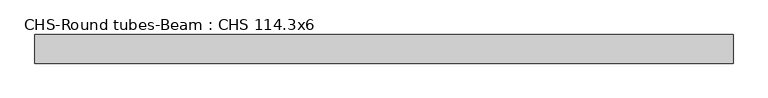
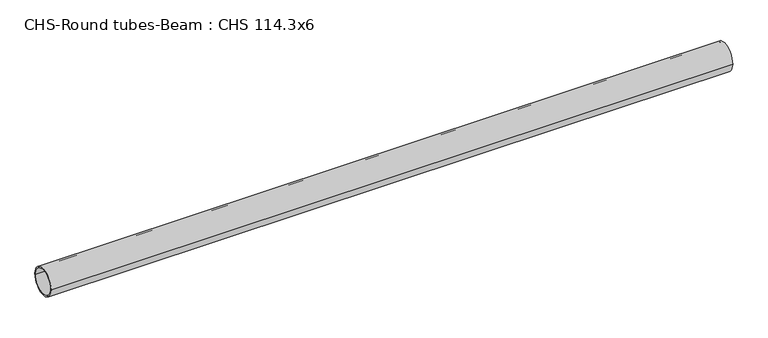
"""IFC4 building model written with IfcOpenShell, lengths in millimetres: beam geometry, CHS-Round tubes-Beam : CHS 114.3x6."""

from ifc_helpers import new_model, si_unit, point, frame, origin, origin_2d, place, context, project, spatial, circle_curve, trimmed, segment, composite_curve, outline, extrude, source, transform, mapped, element, save


def chs_round_tubes_beam_chs_114_3x6_7bf12a00(model_context):
    return source(origin(), model_context, "Body", "SweptSolid", [
        extrude(outline(composite_curve([segment(trimmed(circle_curve(origin_2d(), 57.15), [point((57.15, 0.0))], [point((-57.15, 0.0))], False, "CARTESIAN"), True, "CONTINUOUS"), segment(trimmed(circle_curve(origin_2d(), 57.15), [point((-57.15, 0.0))], [point((57.15, 0.0))], False, "CARTESIAN"), True, "CONTINUOUS")], self_intersect=False), holes=[composite_curve([segment(trimmed(circle_curve(origin_2d(), 51.15), [point((51.15, 0.0))], [point((-51.15, 0.0))], True, "CARTESIAN"), True, "CONTINUOUS"), segment(trimmed(circle_curve(origin_2d(), 51.15), [point((-51.15, 0.0))], [point((51.15, 0.0))], True, "CARTESIAN"), True, "CONTINUOUS")], self_intersect=False)]), frame((-1384.0752295, 0.0, 0.0), z_axis=(1.0, 0.0, 0.0), x_axis=(0.0, 1.0, 0.0)), (0.0, 0.0, 1.0), 2790.5015919),
    ])


if __name__ == "__main__":
    model = new_model("IFC4")
    model_context = context("Model", 3, world=origin())
    ifc_project = project(units=[si_unit("LENGTHUNIT", "METRE", prefix="MILLI")], contexts=[model_context])
    site = spatial("IfcSite", under=ifc_project)
    building = spatial("IfcBuilding", under=site)
    placement = place(None, origin())
    chs_round_tubes_beam_chs_114_3x6_shape = chs_round_tubes_beam_chs_114_3x6_7bf12a00(model_context)
    element("IfcBeam", 1, ObjectType="CHS-Round tubes-Beam : CHS 114.3x6", at=placement, inside=building, context=model_context, shape_type="MappedRepresentation", body=[
        mapped(chs_round_tubes_beam_chs_114_3x6_shape, transform((0.0, 0.0, 0.0), x_axis=(1.0, 0.0, 0.0), y_axis=(0.0, 1.0, 0.0), z_axis=(0.0, 0.0, 1.0))),
    ])
    save(model, "model.ifc")
